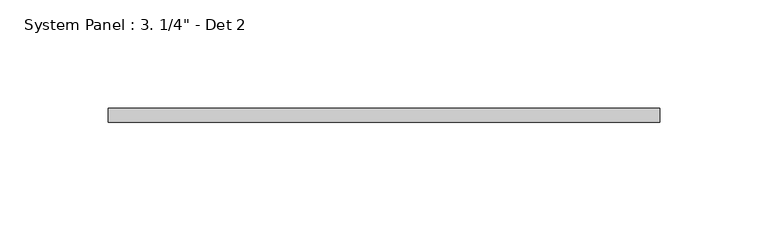
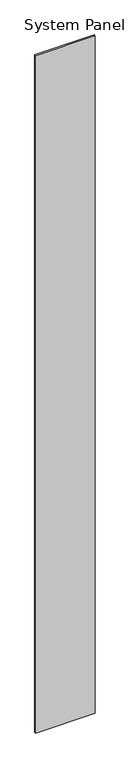
"""IFC4 building model written with IfcOpenShell, lengths in millimetres: plate geometry."""

from ifc_helpers import new_model, si_unit, origin, origin_with_axes, place, context, project, spatial, polyline, outline, extrude, source, transform, mapped, element, save


def plate_e050e30c(model_context):
    return source(origin(), model_context, "Body", "SweptSolid", [
        extrude(outline(polyline([(127.0, -6.35), (-127.0, -6.35), (-127.0, 0.0), (127.0, 0.0), (127.0, -6.35)])), origin_with_axes(), (0.0, 0.0, 1.0), 3048.0),
    ])


if __name__ == "__main__":
    model = new_model("IFC4")
    model_context = context("Model", 3, world=origin())
    ifc_project = project(units=[si_unit("LENGTHUNIT", "METRE", prefix="MILLI")], contexts=[model_context])
    site = spatial("IfcSite", under=ifc_project)
    building = spatial("IfcBuilding", under=site)
    placement = place(None, origin())
    plate_shape = plate_e050e30c(model_context)
    element("IfcPlate", 1, ObjectType="System Panel : 3. 1/4\" - Det 2", at=placement, inside=building, context=model_context, shape_type="MappedRepresentation", body=[
        mapped(plate_shape, transform((0.0, 0.0, 0.0), x_axis=(1.0, 0.0, 0.0), y_axis=(0.0, 1.0, 0.0), z_axis=(0.0, 0.0, 1.0))),
    ])
    save(model, "model.ifc")
